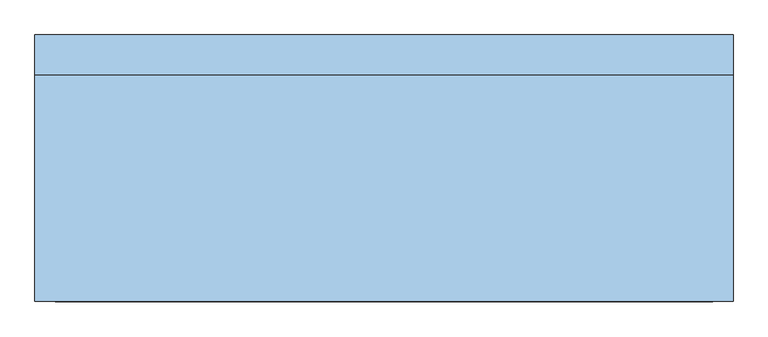
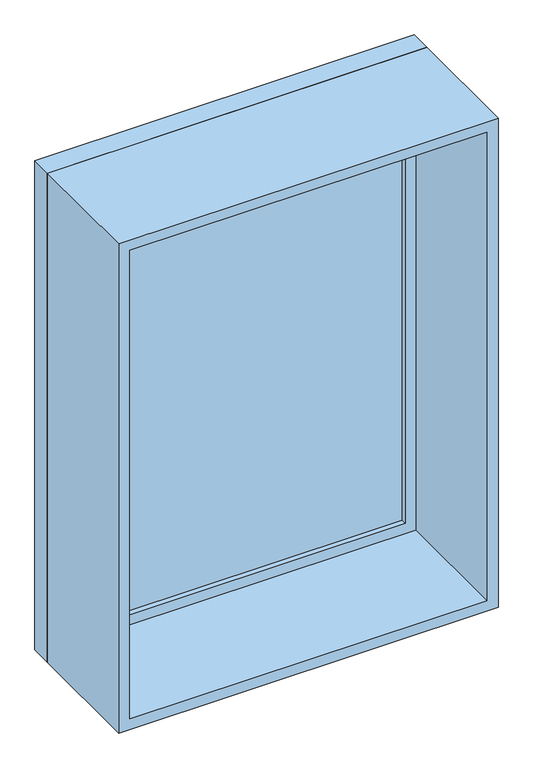
"""IFC4 building model written with IfcOpenShell, lengths in millimetres: window geometry."""

from ifc_helpers import new_model, si_unit, frame, origin, place, context, project, spatial, polyline, outline, extrude, source, transform, mapped, element, save


def window_89472738(model_context):
    return source(origin(), model_context, "Body", "SweptSolid", [
        extrude(outline(polyline([(-487.0, 188.0), (487.0, 188.0), (487.0, 176.0), (-487.0, 176.0), (-487.0, 188.0)])), frame((0.0, 0.0, 978.0), z_axis=(0.0, 0.0, 1.0), x_axis=(1.0, 0.0, 0.0)), (0.0, 0.0, 1.0), 1374.0),
        extrude(outline(polyline([(2396.0, -531.0), (934.0, -531.0), (934.0, 531.0), (2396.0, 531.0), (2396.0, -531.0)]), holes=[polyline([(2352.0, -487.0), (2352.0, 487.0), (978.0, 487.0), (978.0, -487.0), (2352.0, -487.0)])]), frame((0.0, 160.0, 0.0), z_axis=(0.0, 1.0, 0.0), x_axis=(0.0, 0.0, 1.0)), (0.0, 0.0, 1.0), 44.0),
        extrude(outline(polyline([(2415.0, -550.0), (915.0, -550.0), (915.0, 550.0), (2415.0, 550.0), (2415.0, -550.0)]), holes=[polyline([(2396.0, -531.0), (2396.0, 531.0), (934.0, 531.0), (934.0, -531.0), (2396.0, -531.0)])]), frame((0.0, 160.0, 0.0), z_axis=(0.0, 1.0, 0.0), x_axis=(0.0, 0.0, 1.0)), (0.0, 0.0, 1.0), 63.0),
        extrude(outline(polyline([(2415.0, -550.0), (915.0, -550.0), (915.0, 550.0), (2415.0, 550.0), (2415.0, -550.0)]), holes=[polyline([(2383.0, -518.0), (2383.0, 518.0), (947.0, 518.0), (947.0, -518.0), (2383.0, -518.0)])]), frame((0.0, -197.0, 0.0), z_axis=(0.0, 1.0, 0.0), x_axis=(0.0, 0.0, 1.0)), (0.0, 0.0, 1.0), 357.0),
    ])


if __name__ == "__main__":
    model = new_model("IFC4")
    model_context = context("Model", 3, world=origin())
    ifc_project = project(units=[si_unit("LENGTHUNIT", "METRE", prefix="MILLI")], contexts=[model_context])
    site = spatial("IfcSite", under=ifc_project)
    building = spatial("IfcBuilding", under=site)
    placement = place(None, origin())
    window_shape = window_89472738(model_context)
    element("IfcWindow", 1, at=placement, inside=building, context=model_context, shape_type="MappedRepresentation", body=[
        mapped(window_shape, transform((0.0, 0.0, 0.0), x_axis=(1.0, 0.0, 0.0), y_axis=(0.0, 1.0, 0.0), z_axis=(0.0, 0.0, 1.0))),
    ])
    save(model, "model.ifc")
